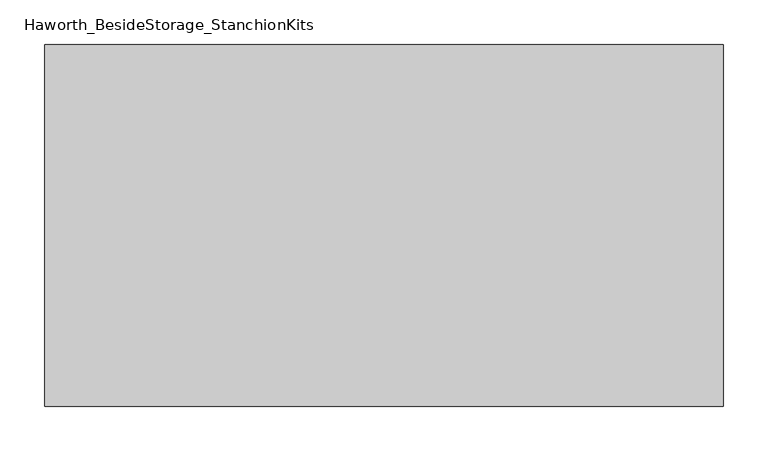
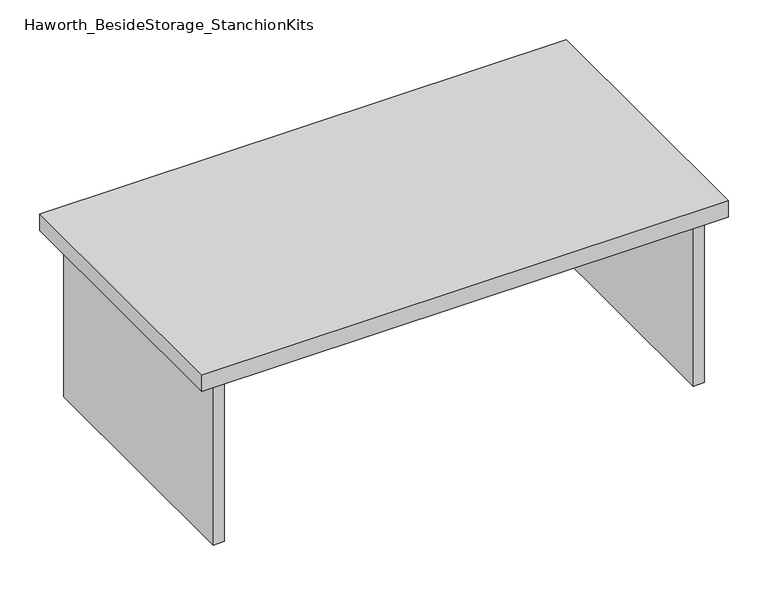
"""IFC4 building model written with IfcOpenShell, lengths in millimetres: furniture geometry, Haworth_BesideStorage_StanchionKits."""

from ifc_helpers import new_model, si_unit, frame, origin, place, context, project, spatial, polyline, outline, extrude, source, transform, mapped, element, save


def haworth_besidestorage_stanchionkits_00282ce3(model_context):
    return source(origin(), model_context, "Body", "SweptSolid", [
        extrude(outline(polyline([(542.925, 0.0), (542.925, -406.4), (-219.075, -406.4), (-219.075, 0.0), (542.925, 0.0)])), frame((0.0, 0.0, 685.8), z_axis=(0.0, 0.0, 1.0), x_axis=(1.0, 0.0, 0.0)), (0.0, 0.0, 1.0), 25.4),
        extrude(outline(polyline([(161.925, -76.2), (501.65, -76.2), (501.65, -92.075), (161.925, -92.075), (161.925, -76.2)])), frame((0.0, 0.0, 431.8), z_axis=(0.0, 0.0, 1.0), x_axis=(1.0, 0.0, 0.0)), (0.0, 0.0, 1.0), 254.0),
        extrude(outline(polyline([(517.525, -390.525), (501.65, -390.525), (501.65, -15.875), (517.525, -15.875), (517.525, -390.525)])), frame((0.0, 0.0, 431.8), z_axis=(0.0, 0.0, 1.0), x_axis=(1.0, 0.0, 0.0)), (0.0, 0.0, 1.0), 254.0),
        extrude(outline(polyline([(-177.8, -390.525), (-193.675, -390.525), (-193.675, -15.875), (-177.8, -15.875), (-177.8, -390.525)])), frame((0.0, 0.0, 431.8), z_axis=(0.0, 0.0, 1.0), x_axis=(1.0, 0.0, 0.0)), (0.0, 0.0, 1.0), 254.0),
    ])


if __name__ == "__main__":
    model = new_model("IFC4")
    model_context = context("Model", 3, world=origin())
    ifc_project = project(units=[si_unit("LENGTHUNIT", "METRE", prefix="MILLI")], contexts=[model_context])
    site = spatial("IfcSite", under=ifc_project)
    building = spatial("IfcBuilding", under=site)
    placement = place(None, origin())
    haworth_besidestorage_stanchionkits_shape = haworth_besidestorage_stanchionkits_00282ce3(model_context)
    element("IfcFurniture", 1, ObjectType="Haworth_BesideStorage_StanchionKits", at=placement, inside=building, context=model_context, shape_type="MappedRepresentation", body=[
        mapped(haworth_besidestorage_stanchionkits_shape, transform((0.0, 0.0, 0.0), x_axis=(1.0, 0.0, 0.0), y_axis=(0.0, 1.0, 0.0), z_axis=(0.0, 0.0, 1.0))),
    ])
    save(model, "model.ifc")
